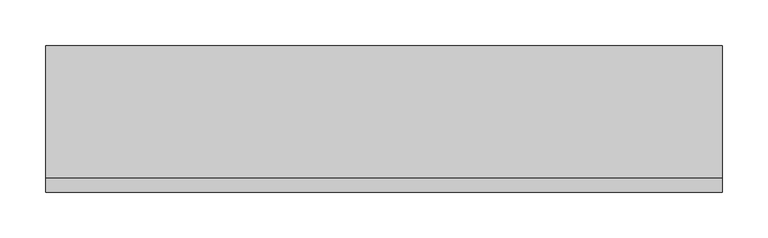
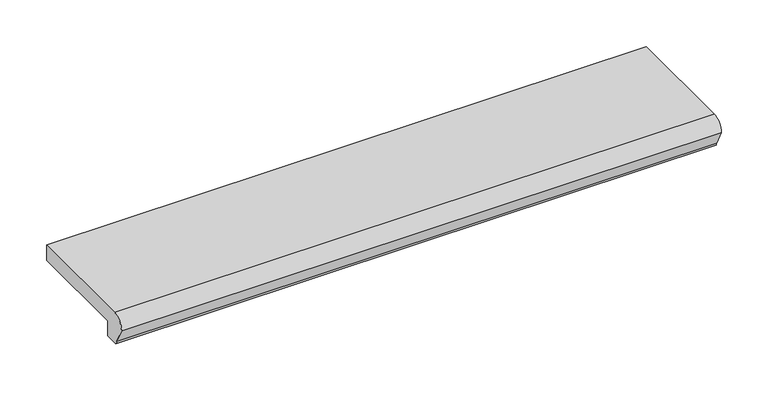
"""IFC4 building model written with IfcOpenShell, lengths in millimetres: proxy geometry."""

from ifc_helpers import new_model, si_unit, point, frame, frame_2d, origin, place, context, project, spatial, polyline, circle_curve, trimmed, segment, composite_curve, outline, extrude, source, transform, mapped, element, save


def generic_models_53e47f86(model_context):
    return source(origin(), model_context, "Body", "SweptSolid", [
        extrude(outline(composite_curve([segment(polyline([(-145.0, 30.0), (0.0, 30.0), (0.0, 10.0), (-130.0, 10.0), (-130.0, -10.0), (-145.0, -10.0)]), True, "CONTINUOUS"), segment(trimmed(circle_curve(frame_2d((-145.0, -5.0)), 5.0), [point((-145.0, -10.0))], [point((-150.0, -5.0))], False, "CARTESIAN"), True, "CONTINUOUS"), segment(polyline([(-150.0, -5.0), (-160.0, 15.0)]), True, "CONTINUOUS"), segment(trimmed(circle_curve(frame_2d((-145.0, 15.0)), 15.0), [point((-160.0, 15.0))], [point((-145.0, 30.0))], False, "CARTESIAN"), True, "CONTINUOUS")], self_intersect=False)), frame((-370.0, 0.0, 0.0), z_axis=(1.0, 0.0, 0.0), x_axis=(0.0, 1.0, 0.0)), (0.0, 0.0, 1.0), 740.0),
    ])


if __name__ == "__main__":
    model = new_model("IFC4")
    model_context = context("Model", 3, world=origin())
    ifc_project = project(units=[si_unit("LENGTHUNIT", "METRE", prefix="MILLI")], contexts=[model_context])
    site = spatial("IfcSite", under=ifc_project)
    building = spatial("IfcBuilding", under=site)
    placement = place(None, origin())
    generic_models_shape = generic_models_53e47f86(model_context)
    element("IfcBuildingElementProxy", 1, Name="Generic Models", at=placement, inside=building, context=model_context, shape_type="MappedRepresentation", body=[
        mapped(generic_models_shape, transform((0.0, 0.0, 0.0), x_axis=(1.0, 0.0, 0.0), y_axis=(0.0, 1.0, 0.0), z_axis=(0.0, 0.0, 1.0))),
    ])
    save(model, "model.ifc")
